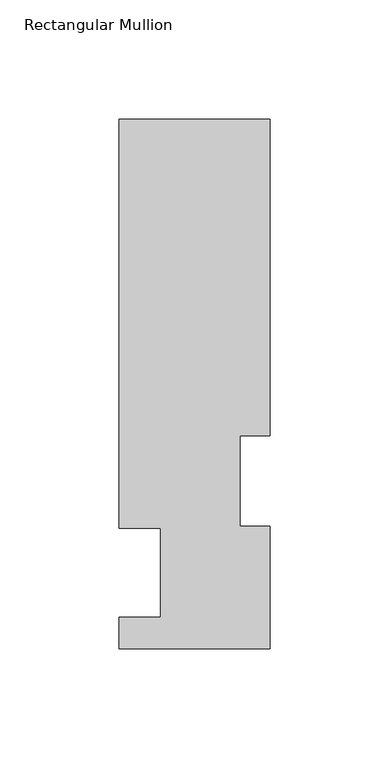
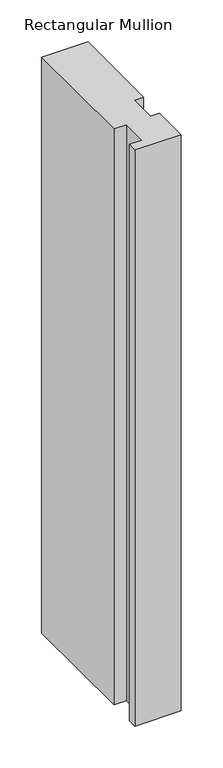
"""IFC4 building model written with IfcOpenShell, lengths in millimetres: member geometry, Rectangular Mullion."""

from ifc_helpers import new_model, si_unit, frame, origin, place, context, project, spatial, polyline, outline, extrude, source, transform, mapped, element, save


def rectangular_mullion_ec526677(model_context):
    return source(origin(), model_context, "Body", "SweptSolid", [
        extrude(outline(polyline([(-31.7500002, 222.5381313), (31.7499998, 222.5381313), (31.7499998, 89.5945313), (19.0499998, 89.5945313), (19.0499998, 51.4945316), (31.7499998, 51.4945316), (31.7499998, 0.2119312), (-31.7500002, 0.2119312), (-31.7500002, 13.3945312), (-14.2747994, 13.3945312), (-14.2747994, 50.8087295), (-31.7500002, 50.8087295), (-31.7500002, 222.5381313)])), frame((0.0, 0.0, -838.2000001), z_axis=(0.0, 0.0, 1.0), x_axis=(1.0, 0.0, 0.0)), (0.0, 0.0, 1.0), 838.2000001),
    ])


if __name__ == "__main__":
    model = new_model("IFC4")
    model_context = context("Model", 3, world=origin())
    ifc_project = project(units=[si_unit("LENGTHUNIT", "METRE", prefix="MILLI")], contexts=[model_context])
    site = spatial("IfcSite", under=ifc_project)
    building = spatial("IfcBuilding", under=site)
    placement = place(None, origin())
    rectangular_mullion_shape = rectangular_mullion_ec526677(model_context)
    element("IfcMember", 1, ObjectType="Rectangular Mullion", at=placement, inside=building, context=model_context, shape_type="MappedRepresentation", body=[
        mapped(rectangular_mullion_shape, transform((0.0, 0.0, 0.0), x_axis=(1.0, 0.0, 0.0), y_axis=(0.0, 1.0, 0.0), z_axis=(0.0, 0.0, 1.0))),
    ])
    save(model, "model.ifc")
